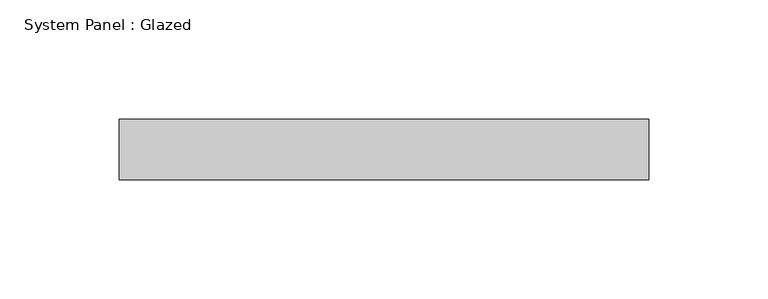
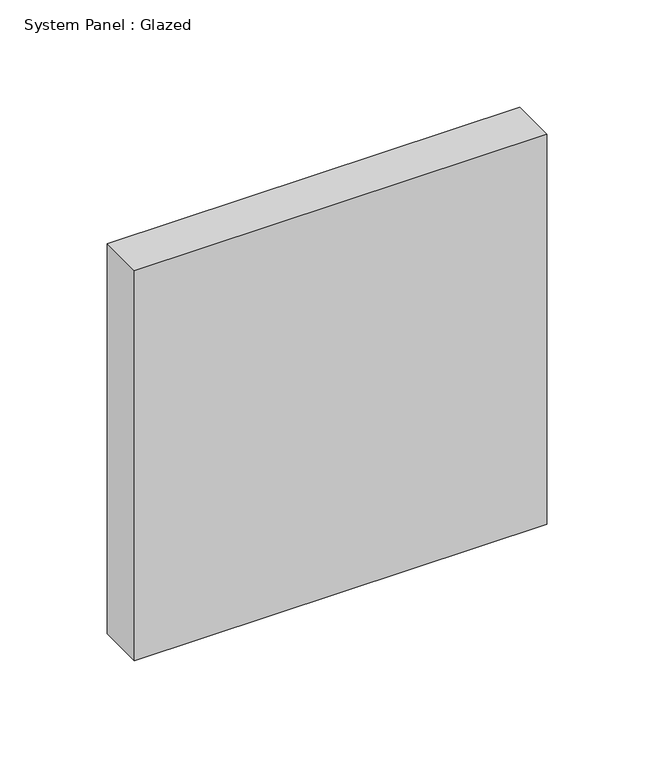
"""IFC4 building model written with IfcOpenShell, lengths in millimetres: plate geometry, System Panel : Glazed."""

from ifc_helpers import new_model, si_unit, origin, origin_with_axes, place, context, project, spatial, polyline, outline, extrude, source, transform, mapped, element, save


def system_panel_glazed_ff53e3b9(model_context):
    return source(origin(), model_context, "Body", "SweptSolid", [
        extrude(outline(polyline([(111.125, 19.05), (-111.125, 19.05), (-111.125, 44.45), (111.125, 44.45), (111.125, 19.05)])), origin_with_axes(), (0.0, 0.0, 1.0), 222.25),
    ])


if __name__ == "__main__":
    model = new_model("IFC4")
    model_context = context("Model", 3, world=origin())
    ifc_project = project(units=[si_unit("LENGTHUNIT", "METRE", prefix="MILLI")], contexts=[model_context])
    site = spatial("IfcSite", under=ifc_project)
    building = spatial("IfcBuilding", under=site)
    placement = place(None, origin())
    system_panel_glazed_shape = system_panel_glazed_ff53e3b9(model_context)
    element("IfcPlate", 1, ObjectType="System Panel : Glazed", at=placement, inside=building, context=model_context, shape_type="MappedRepresentation", body=[
        mapped(system_panel_glazed_shape, transform((0.0, 0.0, 0.0), x_axis=(1.0, 0.0, 0.0), y_axis=(0.0, 1.0, 0.0), z_axis=(0.0, 0.0, 1.0))),
    ])
    save(model, "model.ifc")
